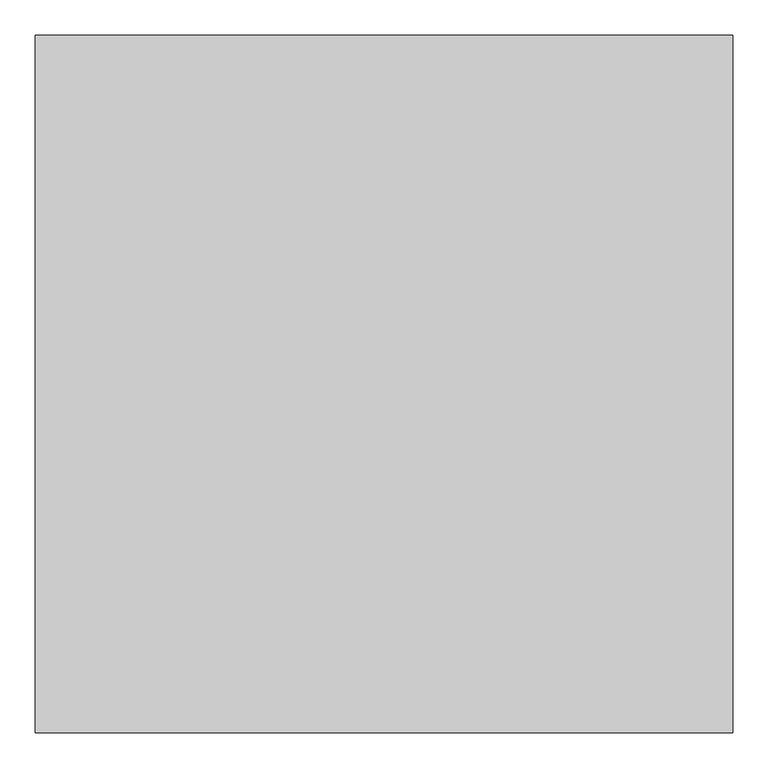
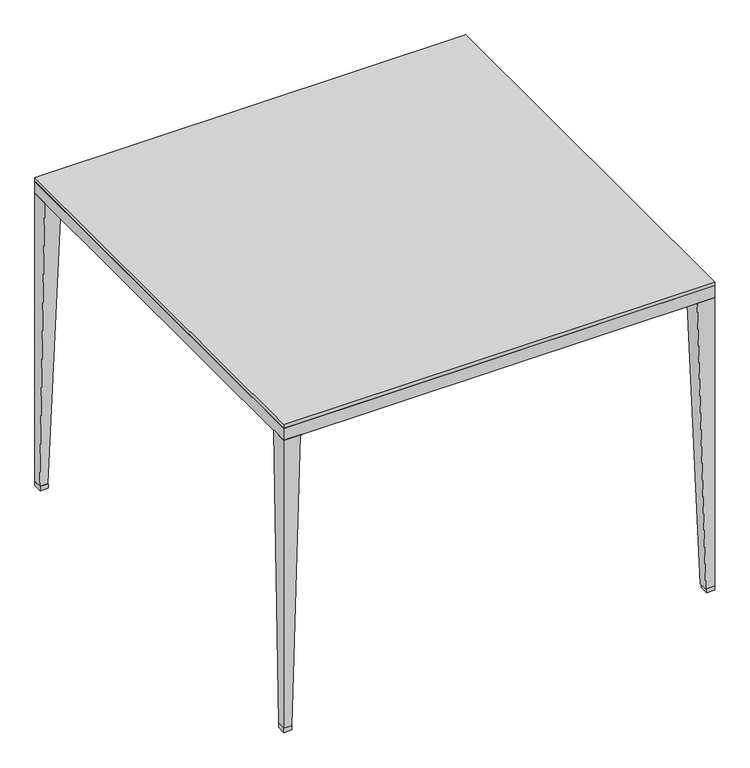
"""IFC4 building model written with IfcOpenShell, lengths in millimetres: furniture geometry."""

from ifc_helpers import new_model, si_unit, frame, origin, origin_with_axes, place, context, project, spatial, polyline, outline, extrude, faceted_brep, source, transform, mapped, element, save


def furniture_c2386369(model_context):
    return source(origin(), model_context, "Body", "SolidModel", [
        extrude(outline(polyline([(981.8896095, 491.2700592), (1000.125, 491.2700592), (1000.125, 470.580485), (981.8896095, 470.580485), (981.8896095, 491.2700592)])), origin_with_axes(), (0.0, 0.0, 1.0), 9.9999837),
        extrude(outline(polyline([(9.525, 491.2700592), (27.7603905, 491.2700592), (27.7603905, 470.580485), (9.525, 470.580485), (9.525, 491.2700592)])), origin_with_axes(), (0.0, 0.0, 1.0), 9.9999837),
        extrude(outline(polyline([(27.7603905, -499.3299408), (9.525, -499.3299408), (9.525, -478.6403666), (27.7603905, -478.6403666), (27.7603905, -499.3299408)])), origin_with_axes(), (0.0, 0.0, 1.0), 9.9999837),
        faceted_brep([(1000.125, -458.7655986, 711.0159754), (958.8425642, -458.7655986, 711.0159754), (958.8425642, -499.3299408, 711.0159754), (1000.125, -499.3299408, 711.0159754), (1000.125, -478.6200558, 9.9999837), (1000.125, -499.3299408, 9.9999837), (979.5104876, -499.3299408, 9.9999837), (979.5104876, -478.6200558, 9.9999837), (1000.125, -458.7655986, 709.9999763), (959.7925778, -458.7655986, 709.9999763), (958.8425642, -458.7655986, 709.9999763), (958.8425642, -499.3299408, 709.9999763), (959.7925778, -499.3299408, 709.9999763)], [[[0, 1, 2, 3]], [[4, 5, 6, 7]], [[1, 0, 8, 9, 10]], [[2, 1, 10, 11]], [[3, 2, 11, 12, 6, 5]], [[0, 3, 5, 4, 8]], [[8, 4, 7, 9]], [[9, 12, 11, 10]], [[12, 9, 7, 6]]]),
        faceted_brep([(9.525, -458.7655986, 711.0159754), (9.525, -499.3299408, 711.0159754), (50.8074358, -499.3299408, 711.0159754), (50.8074358, -458.7655986, 711.0159754), (9.525, -499.3299408, 9.9999837), (9.525, -478.6200558, 9.9999837), (27.7582624, -478.6200558, 9.9999837), (27.7582624, -499.3299408, 9.9999837), (9.525, -458.7655986, 709.9999763), (47.4761722, -499.3299408, 709.9999763), (50.8074358, -499.3299408, 709.9999763), (50.8074358, -458.9017717, 709.9999763), (47.4761722, -458.7655986, 709.9999763)], [[[0, 1, 2, 3]], [[4, 5, 6, 7]], [[1, 0, 8, 5, 4]], [[2, 1, 4, 7, 9, 10]], [[3, 2, 10, 11]], [[0, 3, 11, 12, 8]], [[5, 8, 12, 6]], [[9, 12, 11, 10]], [[12, 9, 7, 6]]]),
        faceted_brep([(1000.125, 452.2221823, 711.0159754), (1000.125, 491.2700592, 711.0159754), (958.8425642, 491.2700592, 711.0159754), (958.8425642, 452.2221823, 711.0159754), (1000.125, 491.2700592, 9.9999837), (1000.125, 471.9686882, 9.9999837), (979.5104876, 471.9686882, 9.9999837), (979.5104876, 491.2700592, 9.9999837), (1000.125, 452.2221823, 709.9999763), (959.7925778, 491.2700592, 709.9999763), (958.8425642, 491.2700592, 709.9999763), (958.8425642, 452.2508151, 709.9999763), (959.7925778, 452.2221823, 709.9999763)], [[[0, 1, 2, 3]], [[4, 5, 6, 7]], [[1, 0, 8, 5, 4]], [[2, 1, 4, 7, 9, 10]], [[3, 2, 10, 11]], [[0, 3, 11, 12, 8]], [[5, 8, 12, 6]], [[9, 12, 11, 10]], [[12, 9, 7, 6]]]),
        faceted_brep([(9.525, 452.2221823, 711.0159754), (50.8074358, 452.2221823, 711.0159754), (50.8074358, 491.2700592, 711.0159754), (9.525, 491.2700592, 711.0159754), (9.525, 471.9686882, 9.9999837), (9.525, 491.2700592, 9.9999837), (27.7582624, 491.2700592, 9.9999837), (27.7582624, 471.9686882, 9.9999837), (9.525, 452.2221823, 709.9999763), (47.4761722, 452.2221823, 709.9999763), (50.8074358, 452.2221823, 709.9999763), (50.8074358, 491.2700592, 709.9999763), (47.4761722, 491.2700592, 709.9999763)], [[[0, 1, 2, 3]], [[4, 5, 6, 7]], [[1, 0, 8, 9, 10]], [[2, 1, 10, 11]], [[3, 2, 11, 12, 6, 5]], [[0, 3, 5, 4, 8]], [[8, 4, 7, 9]], [[9, 12, 11, 10]], [[12, 9, 7, 6]]]),
        extrude(outline(polyline([(1000.125, -499.3299408), (9.525, -499.3299408), (9.525, 491.2700592), (1000.125, 491.2700592), (1000.125, -499.3299408)]), holes=[polyline([(958.8425642, -458.7655986), (958.8425642, 452.2221823), (50.8074358, 452.2221823), (50.8074358, -458.7655986), (958.8425642, -458.7655986)])]), frame((0.0, 0.0, 711.0159754), z_axis=(0.0, 0.0, 1.0), x_axis=(1.0, 0.0, 0.0)), (0.0, 0.0, 1.0), 28.7590246),
        extrude(outline(polyline([(1000.125, 491.2700592), (1000.125, -499.3299408), (9.525, -499.3299408), (9.525, 491.2700592), (1000.125, 491.2700592)])), frame((0.0, 0.0, 739.775), z_axis=(0.0, 0.0, 1.0), x_axis=(1.0, 0.0, 0.0)), (0.0, 0.0, 1.0), 9.525),
        extrude(outline(polyline([(1000.125, -499.3299408), (981.8896095, -499.3299408), (981.8896095, -478.6403666), (1000.125, -478.6403666), (1000.125, -499.3299408)])), origin_with_axes(), (0.0, 0.0, 1.0), 9.9999837),
    ])


if __name__ == "__main__":
    model = new_model("IFC4")
    model_context = context("Model", 3, world=origin())
    ifc_project = project(units=[si_unit("LENGTHUNIT", "METRE", prefix="MILLI")], contexts=[model_context])
    site = spatial("IfcSite", under=ifc_project)
    building = spatial("IfcBuilding", under=site)
    placement = place(None, origin())
    furniture_shape = furniture_c2386369(model_context)
    element("IfcFurniture", 1, at=placement, inside=building, context=model_context, shape_type="MappedRepresentation", body=[
        mapped(furniture_shape, transform((0.0, 0.0, 0.0), x_axis=(1.0, 0.0, 0.0), y_axis=(0.0, 1.0, 0.0), z_axis=(0.0, 0.0, 1.0))),
    ])
    save(model, "model.ifc")
